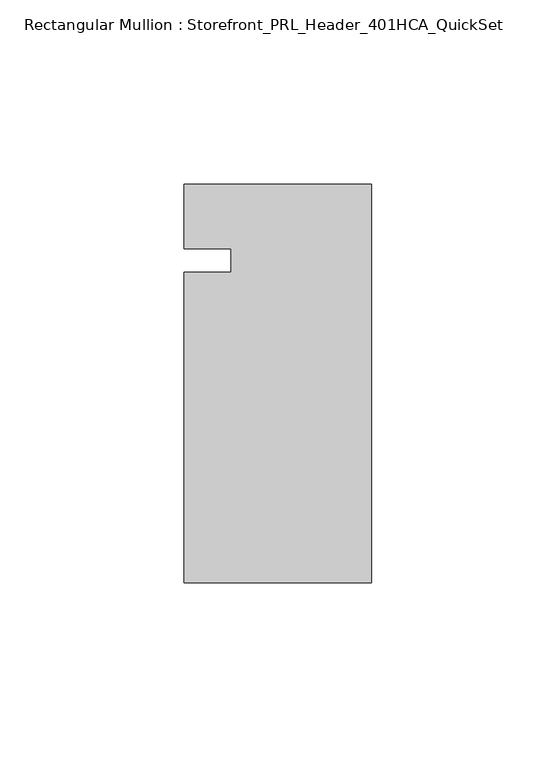
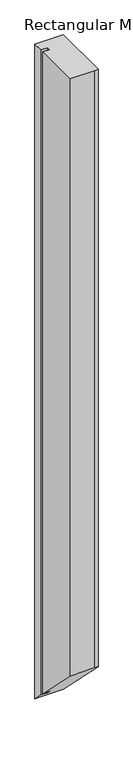
"""IFC4 building model written with IfcOpenShell, lengths in millimetres: member geometry, Rectangular Mullion : Storefront_PRL_Header_401HCA_QuickSet."""

from ifc_helpers import new_model, si_unit, origin, place, context, project, spatial, faceted_brep, source, transform, mapped, element, save


def rectangular_mullion_storefront_prl_header_401hca_quickset_efd23bfb(model_context):
    return source(origin(), model_context, "Body", "Brep", [
        faceted_brep([(-38.1, -3.175, 0.0), (-50.8, -3.175, 0.0), (-50.8, -87.3125, 0.0), (-6.35, -87.3125, 0.0), (0.0, -87.3125, 0.0), (0.0, 20.6375, 0.0), (-7.7254924, 20.6375, 0.0), (-50.8, 20.6375, 0.0), (-50.8, 3.175, 0.0), (-38.1, 3.175, 0.0), (-38.1, -3.175, -1216.025), (-50.8, -3.175, -1216.025), (-50.8, -87.3125, -1131.8875), (-6.35, -87.3125, -1131.8875), (0.0, -87.3125, -1131.8875), (0.0, 20.6375, -1239.8375), (-7.7254924, 20.6375, -1239.8375), (-50.8, 20.6375, -1239.8375), (-50.8, 3.175, -1222.375), (-38.1, 3.175, -1222.375)], [[[0, 1, 2, 3, 4, 5, 6, 7, 8, 9]], [[1, 0, 10, 11]], [[2, 1, 11, 12]], [[3, 2, 12, 13]], [[4, 3, 13, 14]], [[5, 4, 14, 15]], [[6, 5, 15, 16]], [[7, 6, 16, 17]], [[8, 7, 17, 18]], [[9, 8, 18, 19]], [[0, 9, 19, 10]], [[10, 19, 18, 17, 16, 15, 14, 13, 12, 11]]]),
    ])


if __name__ == "__main__":
    model = new_model("IFC4")
    model_context = context("Model", 3, world=origin())
    ifc_project = project(units=[si_unit("LENGTHUNIT", "METRE", prefix="MILLI")], contexts=[model_context])
    site = spatial("IfcSite", under=ifc_project)
    building = spatial("IfcBuilding", under=site)
    placement = place(None, origin())
    rectangular_mullion_storefront_prl_header_401hca_quickset_shape = rectangular_mullion_storefront_prl_header_401hca_quickset_efd23bfb(model_context)
    element("IfcMember", 1, ObjectType="Rectangular Mullion : Storefront_PRL_Header_401HCA_QuickSet", at=placement, inside=building, context=model_context, shape_type="MappedRepresentation", body=[
        mapped(rectangular_mullion_storefront_prl_header_401hca_quickset_shape, transform((0.0, 0.0, 0.0), x_axis=(1.0, 0.0, 0.0), y_axis=(0.0, 1.0, 0.0), z_axis=(0.0, 0.0, 1.0))),
    ])
    save(model, "model.ifc")
